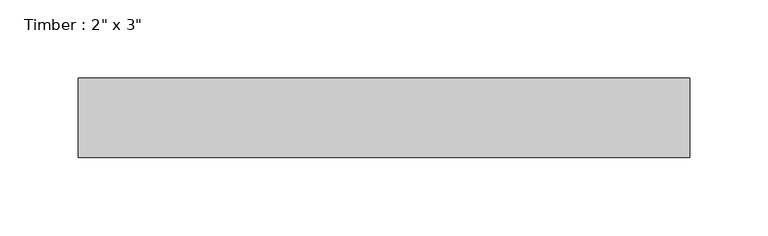
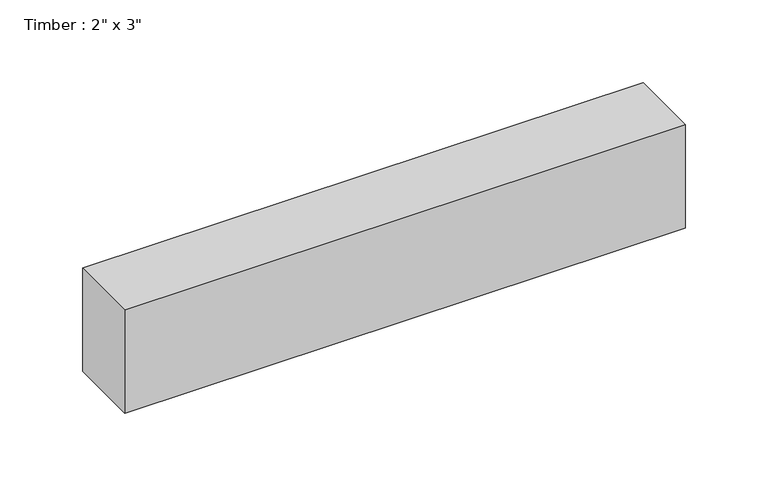
"""IFC4 building model written with IfcOpenShell, lengths in millimetres: beam geometry."""

from ifc_helpers import new_model, si_unit, frame, origin, place, context, project, spatial, polyline, outline, extrude, source, transform, mapped, element, save


def beam_6d884424(model_context):
    return source(origin(), model_context, "Body", "SweptSolid", [
        extrude(outline(polyline([(195.2957393, -25.4), (-195.2957393, -25.4), (-195.2957393, 25.4), (195.2957393, 25.4), (195.2957393, -25.4)])), frame((0.0, 0.0, -38.1), z_axis=(0.0, 0.0, 1.0), x_axis=(1.0, 0.0, 0.0)), (0.0, 0.0, 1.0), 76.2),
    ])


if __name__ == "__main__":
    model = new_model("IFC4")
    model_context = context("Model", 3, world=origin())
    ifc_project = project(units=[si_unit("LENGTHUNIT", "METRE", prefix="MILLI")], contexts=[model_context])
    site = spatial("IfcSite", under=ifc_project)
    building = spatial("IfcBuilding", under=site)
    placement = place(None, origin())
    beam_shape = beam_6d884424(model_context)
    element("IfcBeam", 1, ObjectType="Timber : 2\" x 3\"", at=placement, inside=building, context=model_context, shape_type="MappedRepresentation", body=[
        mapped(beam_shape, transform((0.0, 0.0, 0.0), x_axis=(1.0, 0.0, 0.0), y_axis=(0.0, 1.0, 0.0), z_axis=(0.0, 0.0, 1.0))),
    ])
    save(model, "model.ifc")
